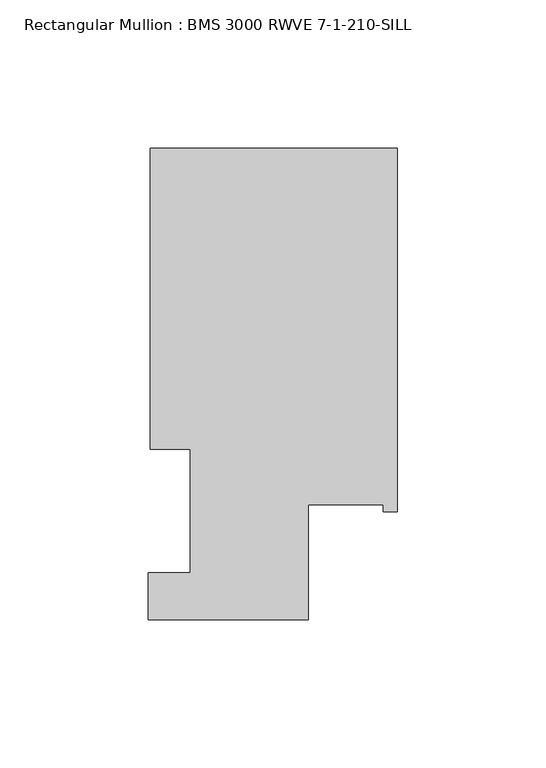
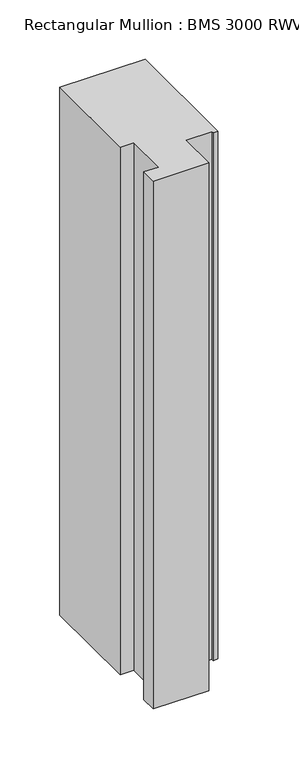
"""IFC4 building model written with IfcOpenShell, lengths in millimetres: member geometry, Rectangular Mullion : BMS 3000 RWVE 7-1-210-SILL."""

from ifc_helpers import new_model, si_unit, frame, origin, place, context, project, spatial, polyline, outline, extrude, source, transform, mapped, element, save


def rectangular_mullion_bms_3000_rwve_7_1_210_sill_5b9b1411(model_context):
    return source(origin(), model_context, "Body", "SweptSolid", [
        extrude(outline(polyline([(-83.3501, 101.6), (0.0, 101.6), (0.0, -21.1074), (-4.7625, -21.1074), (-4.7625, -18.7198), (-30.1625, -18.7198), (-30.1625, -57.5056), (-84.1375, -57.5056), (-84.1375, -41.6306), (-69.85, -41.6306), (-69.85, 0.0), (-83.3501, 0.0), (-83.3501, 101.6)])), frame((0.0, 0.0, -544.2771825), z_axis=(0.0, 0.0, 1.0), x_axis=(1.0, 0.0, 0.0)), (0.0, 0.0, 1.0), 544.2771825),
    ])


if __name__ == "__main__":
    model = new_model("IFC4")
    model_context = context("Model", 3, world=origin())
    ifc_project = project(units=[si_unit("LENGTHUNIT", "METRE", prefix="MILLI")], contexts=[model_context])
    site = spatial("IfcSite", under=ifc_project)
    building = spatial("IfcBuilding", under=site)
    placement = place(None, origin())
    rectangular_mullion_bms_3000_rwve_7_1_210_sill_shape = rectangular_mullion_bms_3000_rwve_7_1_210_sill_5b9b1411(model_context)
    element("IfcMember", 1, ObjectType="Rectangular Mullion : BMS 3000 RWVE 7-1-210-SILL", at=placement, inside=building, context=model_context, shape_type="MappedRepresentation", body=[
        mapped(rectangular_mullion_bms_3000_rwve_7_1_210_sill_shape, transform((0.0, 0.0, 0.0), x_axis=(1.0, 0.0, 0.0), y_axis=(0.0, 1.0, 0.0), z_axis=(0.0, 0.0, 1.0))),
    ])
    save(model, "model.ifc")
